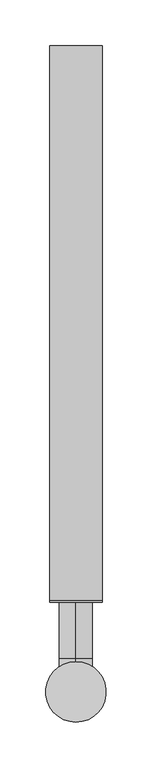
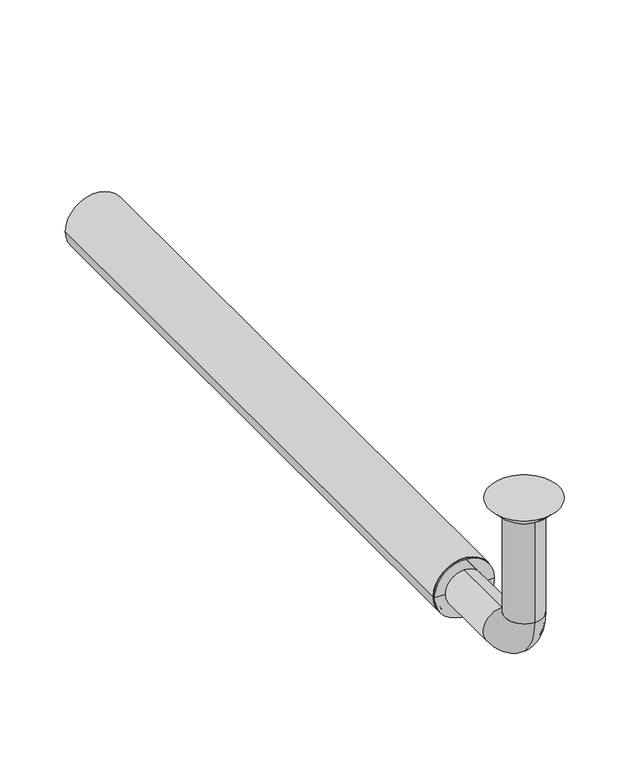
"""IFC4 building model written with IfcOpenShell, lengths in millimetres: beam geometry."""

from ifc_helpers import new_model, si_unit, point, frame, frame_2d, origin, place, context, project, spatial, polyline, circle_curve, ellipse_curve, trimmed, segment, composite_curve, outline, extrude, source, transform, mapped, element, save
from ifc_brep_helpers import plane_surface, cylinder_surface, revolved_surface, advanced_brep


def beam_5fd2c9e7(model_context):
    return source(origin(), model_context, "Body", "SolidModel", [
        extrude(outline(composite_curve([segment(trimmed(circle_curve(frame_2d((-150.0, 0.0)), 28.5), [point((-150.0, 28.5))], [point((-150.0, -28.5))], False, "CARTESIAN"), True, "CONTINUOUS"), segment(trimmed(circle_curve(frame_2d((-150.0, 0.0)), 28.5), [point((-150.0, -28.5))], [point((-150.0, 28.5))], False, "CARTESIAN"), True, "CONTINUOUS")], self_intersect=False), holes=[composite_curve([segment(trimmed(circle_curve(frame_2d((-150.0, 0.0)), 25.5), [point((-150.0, 25.5))], [point((-150.0, -25.5))], True, "CARTESIAN"), True, "CONTINUOUS"), segment(trimmed(circle_curve(frame_2d((-150.0, 0.0)), 25.5), [point((-150.0, -25.5))], [point((-150.0, 25.5))], True, "CARTESIAN"), True, "CONTINUOUS")], self_intersect=False)]), frame((0.0, 100.0, 0.0), z_axis=(0.0, 1.0, 0.0), x_axis=(0.0, 0.0, 1.0)), (0.0, 0.0, 1.0), 605.0),
        advanced_brep(
        [(0.0, -18.0, -10.0), (0.0, 18.0, -10.0), (0.0, -17.0, -10.0), (0.0, 17.0, -10.0), (0.0, -18.0, -114.0), (0.0, 18.0, -114.0), (0.0, -17.0, -114.0), (0.0, 17.0, -114.0), (0.0, 36.0, -132.0), (0.0, 36.0, -168.0), (0.0, 36.0, -133.0), (0.0, 36.0, -167.0), (0.0, 123.0, -168.0), (0.0, 123.0, -132.0), (0.0, 123.0, -167.0), (0.0, 123.0, -133.0)],
        [
            (0, 1, circle_curve(frame((0.0, 0.0, -10.0), z_axis=(0.0, 0.0, 1.0), x_axis=(0.0, 1.0, 0.0)), 18.0)),
            (1, 0, circle_curve(frame((0.0, 0.0, -10.0), z_axis=(0.0, 0.0, 1.0), x_axis=(0.0, 1.0, 0.0)), 18.0)),
            (2, 3, circle_curve(frame((0.0, 0.0, -10.0), z_axis=(0.0, 0.0, -1.0), x_axis=(0.0, 1.0, 0.0)), 17.0)),
            (3, 2, circle_curve(frame((0.0, 0.0, -10.0), z_axis=(0.0, 0.0, -1.0), x_axis=(0.0, 1.0, 0.0)), 17.0)),
            (0, 4),
            (4, 5, circle_curve(frame((0.0, 0.0, -114.0), z_axis=(0.0, 0.0, 1.0), x_axis=(0.0, 1.0, 0.0)), 18.0)),
            (5, 1),
            (5, 4, circle_curve(frame((0.0, 0.0, -114.0), z_axis=(0.0, 0.0, 1.0), x_axis=(0.0, 1.0, 0.0)), 18.0)),
            (2, 6),
            (6, 7, circle_curve(frame((0.0, 0.0, -114.0), z_axis=(0.0, 0.0, -1.0), x_axis=(0.0, 1.0, 0.0)), 17.0)),
            (7, 3),
            (7, 6, circle_curve(frame((0.0, 0.0, -114.0), z_axis=(0.0, 0.0, -1.0), x_axis=(0.0, 1.0, 0.0)), 17.0)),
            (8, 5, circle_curve(frame((0.0, 36.0, -114.0), z_axis=(-1.0, 0.0, 0.0), x_axis=(0.0, -1.0, 0.0)), 18.0)),
            (4, 9, circle_curve(frame((0.0, 36.0, -114.0), z_axis=(1.0, 0.0, 0.0), x_axis=(0.0, -1.0, 0.0)), 54.0)),
            (9, 8, circle_curve(frame((0.0, 36.0, -150.0), z_axis=(0.0, -1.0, 0.0), x_axis=(0.0, 0.0, 1.0)), 18.0)),
            (8, 9, circle_curve(frame((0.0, 36.0, -150.0), z_axis=(0.0, -1.0, 0.0), x_axis=(0.0, 0.0, 1.0)), 18.0)),
            (10, 7, circle_curve(frame((0.0, 36.0, -114.0), z_axis=(-1.0, 0.0, 0.0), x_axis=(0.0, -1.0, 0.0)), 19.0)),
            (6, 11, circle_curve(frame((0.0, 36.0, -114.0), z_axis=(1.0, 0.0, 0.0), x_axis=(0.0, -1.0, 0.0)), 53.0)),
            (11, 10, circle_curve(frame((0.0, 36.0, -150.0), z_axis=(0.0, 1.0, 0.0), x_axis=(0.0, 0.0, 1.0)), 17.0)),
            (10, 11, circle_curve(frame((0.0, 36.0, -150.0), z_axis=(0.0, 1.0, 0.0), x_axis=(0.0, 0.0, 1.0)), 17.0)),
            (12, 13, circle_curve(frame((0.0, 123.0, -150.0), z_axis=(0.0, 1.0, 0.0), x_axis=(0.0, 0.0, 1.0)), 18.0)),
            (13, 12, circle_curve(frame((0.0, 123.0, -150.0), z_axis=(0.0, 1.0, 0.0), x_axis=(0.0, 0.0, 1.0)), 18.0)),
            (14, 15, circle_curve(frame((0.0, 123.0, -150.0), z_axis=(0.0, -1.0, 0.0), x_axis=(0.0, 0.0, 1.0)), 17.0)),
            (15, 14, circle_curve(frame((0.0, 123.0, -150.0), z_axis=(0.0, -1.0, 0.0), x_axis=(0.0, 0.0, 1.0)), 17.0)),
            (9, 12),
            (13, 8),
            (11, 14),
            (15, 10),
        ],
        [
            plane_surface(frame((0.0, 0.0, -10.0), z_axis=(0.0, 0.0, 1.0), x_axis=(1.0, 0.0, 0.0))),
            cylinder_surface(frame((0.0, 0.0, -10.0), z_axis=(0.0, 0.0, 1.0), x_axis=(0.0, 1.0, 0.0)), 18.0),
            revolved_surface(polyline([(0.0, 17.0, -114.0), (0.0, 17.0, -10.0)]), (0.0, 0.0, -10.0), (0.0, 0.0, -1.0)),
            revolved_surface(trimmed(ellipse_curve(frame((0.0, 0.0, -114.0), z_axis=(0.0, 0.0, 1.0), x_axis=(0.0, 1.0, 0.0)), 18.0, 18.0), [point((0.0, -18.0, -114.0))], [point((0.0, 18.0, -114.0))], True, "CARTESIAN"), (0.0, 36.0, -114.0), (1.0, 0.0, 0.0)),
            revolved_surface(trimmed(ellipse_curve(frame((0.0, 0.0, -114.0), z_axis=(0.0, 0.0, 1.0), x_axis=(0.0, 1.0, 0.0)), 18.0, 18.0), [point((0.0, 18.0, -114.0))], [point((0.0, -18.0, -114.0))], True, "CARTESIAN"), (0.0, 36.0, -114.0), (1.0, 0.0, 0.0)),
            revolved_surface(trimmed(ellipse_curve(frame((0.0, 0.0, -114.0), z_axis=(0.0, 0.0, -1.0), x_axis=(0.0, 1.0, 0.0)), 17.0, 17.0), [point((0.0, -17.0, -114.0))], [point((0.0, 17.0, -114.0))], True, "CARTESIAN"), (0.0, 36.0, -114.0), (1.0, 0.0, 0.0)),
            revolved_surface(trimmed(ellipse_curve(frame((0.0, 0.0, -114.0), z_axis=(0.0, 0.0, -1.0), x_axis=(0.0, 1.0, 0.0)), 17.0, 17.0), [point((0.0, 17.0, -114.0))], [point((0.0, -17.0, -114.0))], True, "CARTESIAN"), (0.0, 36.0, -114.0), (1.0, 0.0, 0.0)),
            plane_surface(frame((0.0, 123.0, -150.0), z_axis=(0.0, 1.0, 0.0), x_axis=(1.0, 0.0, 0.0))),
            cylinder_surface(frame((0.0, 36.0, -150.0), z_axis=(0.0, -1.0, 0.0), x_axis=(0.0, 0.0, 1.0)), 18.0),
            revolved_surface(polyline([(0.0, 123.0, -133.0), (0.0, 36.0, -133.0)]), (0.0, 36.0, -150.0), (0.0, 1.0, 0.0)),
        ],
        [
            (0, [[1, 2], [3, 4]]),
            (1, [[-1, 5, 6, 7]]),
            (1, [[-2, -7, 8, -5]]),
            (2, [[-3, 9, 10, 11]]),
            (2, [[-4, -11, 12, -9]]),
            (3, [[13, -6, 14, 15]]),
            (4, [[-14, -8, -13, 16]]),
            (5, [[17, -10, 18, 19]]),
            (6, [[-18, -12, -17, 20]]),
            (7, [[21, 22], [23, 24]]),
            (8, [[-15, 25, -22, 26]]),
            (8, [[-16, -26, -21, -25]]),
            (9, [[-19, 27, -24, 28]]),
            (9, [[-20, -28, -23, -27]]),
        ],
    ),
        advanced_brep(
        [(0.0, 23.0, -10.0), (0.0, -23.0, -10.0), (0.0, 33.0, 0.0), (0.0, -33.0, 0.0)],
        [
            (0, 1, circle_curve(frame((0.0, 0.0, -10.0), z_axis=(0.0, 0.0, -1.0), x_axis=(0.0, 1.0, 0.0)), 23.0)),
            (1, 0, circle_curve(frame((0.0, 0.0, -10.0), z_axis=(0.0, 0.0, -1.0), x_axis=(0.0, -1.0, 0.0)), 23.0)),
            (2, 3, circle_curve(frame((0.0, 0.0, 0.0), z_axis=(0.0, 0.0, 1.0), x_axis=(0.0, -1.0, 0.0)), 33.0)),
            (3, 2, circle_curve(frame((0.0, 0.0, 0.0), z_axis=(0.0, 0.0, 1.0), x_axis=(0.0, 1.0, 0.0)), 33.0)),
            (3, 1),
            (0, 2),
        ],
        [
            plane_surface(frame((0.0, 0.0, -10.0), z_axis=(0.0, 0.0, -1.0), x_axis=(-1.0, 0.0, 0.0))),
            plane_surface(frame((0.0, 0.0, 0.0), z_axis=(0.0, 0.0, 1.0), x_axis=(-1.0, 0.0, 0.0))),
            revolved_surface(polyline([(0.0, 23.0, -10.0), (0.0, 33.0, 0.0)]), (0.0, 0.0, -33.0), (0.0, 0.0, 1.0)),
            revolved_surface(polyline([(0.0, -23.0, -10.0), (0.0, -33.0, 0.0)]), (0.0, 0.0, -33.0), (0.0, 0.0, 1.0)),
        ],
        [
            (0, [[1, 2]]),
            (1, [[3, 4]]),
            (2, [[-4, 5, -1, 6]]),
            (3, [[-3, -6, -2, -5]]),
        ],
    ),
        advanced_brep(
        [(25.5, 100.0, -150.0), (-25.5, 100.0, -150.0), (-25.5, 123.0, -150.0), (25.5, 123.0, -150.0), (-18.0, 123.0, -150.0), (18.0, 123.0, -150.0), (-18.0, 98.0, -150.0), (18.0, 98.0, -150.0), (-28.5, 98.0, -150.0), (28.5, 98.0, -150.0), (-28.5, 100.0, -150.0), (28.5, 100.0, -150.0)],
        [
            (0, 1, circle_curve(frame((0.0, 100.0, -150.0), z_axis=(0.0, 1.0, 0.0), x_axis=(-1.0, 0.0, 0.0)), 25.5)),
            (1, 2),
            (2, 3, circle_curve(frame((0.0, 123.0, -150.0), z_axis=(0.0, -1.0, 0.0), x_axis=(-1.0, 0.0, 0.0)), 25.5)),
            (3, 0),
            (1, 0, circle_curve(frame((0.0, 100.0, -150.0), z_axis=(0.0, 1.0, 0.0), x_axis=(-1.0, 0.0, 0.0)), 25.5)),
            (3, 2, circle_curve(frame((0.0, 123.0, -150.0), z_axis=(0.0, -1.0, 0.0), x_axis=(-1.0, 0.0, 0.0)), 25.5)),
            (2, 4),
            (4, 5, circle_curve(frame((0.0, 123.0, -150.0), z_axis=(0.0, -1.0, 0.0), x_axis=(-1.0, 0.0, 0.0)), 18.0)),
            (5, 3),
            (5, 4, circle_curve(frame((0.0, 123.0, -150.0), z_axis=(0.0, -1.0, 0.0), x_axis=(-1.0, 0.0, 0.0)), 18.0)),
            (4, 6),
            (6, 7, circle_curve(frame((0.0, 98.0, -150.0), z_axis=(0.0, -1.0, 0.0), x_axis=(-1.0, 0.0, 0.0)), 18.0)),
            (7, 5),
            (7, 6, circle_curve(frame((0.0, 98.0, -150.0), z_axis=(0.0, -1.0, 0.0), x_axis=(-1.0, 0.0, 0.0)), 18.0)),
            (6, 8),
            (8, 9, circle_curve(frame((0.0, 98.0, -150.0), z_axis=(0.0, -1.0, 0.0), x_axis=(-1.0, 0.0, 0.0)), 28.5)),
            (9, 7),
            (9, 8, circle_curve(frame((0.0, 98.0, -150.0), z_axis=(0.0, -1.0, 0.0), x_axis=(-1.0, 0.0, 0.0)), 28.5)),
            (8, 10),
            (10, 11, circle_curve(frame((0.0, 100.0, -150.0), z_axis=(0.0, -1.0, 0.0), x_axis=(-1.0, 0.0, 0.0)), 28.5)),
            (11, 9),
            (11, 10, circle_curve(frame((0.0, 100.0, -150.0), z_axis=(0.0, -1.0, 0.0), x_axis=(-1.0, 0.0, 0.0)), 28.5)),
            (10, 1),
            (0, 11),
        ],
        [
            cylinder_surface(frame((0.0, 98.0, -150.0), z_axis=(0.0, -1.0, 0.0), x_axis=(-1.0, 0.0, 0.0)), 25.5),
            plane_surface(frame((0.0, 123.0, -150.0), z_axis=(0.0, 1.0, 0.0), x_axis=(-1.0, 0.0, 0.0))),
            revolved_surface(polyline([(-18.0, 98.0, -150.0), (-18.0, 123.0, -150.0)]), (0.0, 98.0, -150.0), (0.0, -1.0, 0.0)),
            plane_surface(frame((0.0, 98.0, -150.0), z_axis=(0.0, -1.0, 0.0), x_axis=(-1.0, 0.0, 0.0))),
            cylinder_surface(frame((0.0, 98.0, -150.0), z_axis=(0.0, -1.0, 0.0), x_axis=(-1.0, 0.0, 0.0)), 28.5),
            plane_surface(frame((0.0, 100.0, -150.0), z_axis=(0.0, 1.0, 0.0), x_axis=(-1.0, 0.0, 0.0))),
        ],
        [
            (0, [[1, 2, 3, 4]]),
            (0, [[5, -4, 6, -2]]),
            (1, [[-3, 7, 8, 9]]),
            (1, [[-6, -9, 10, -7]]),
            (2, [[-8, 11, 12, 13]]),
            (2, [[-10, -13, 14, -11]]),
            (3, [[-12, 15, 16, 17]]),
            (3, [[-14, -17, 18, -15]]),
            (4, [[-16, 19, 20, 21]]),
            (4, [[-18, -21, 22, -19]]),
            (5, [[-20, 23, -1, 24]]),
            (5, [[-22, -24, -5, -23]]),
        ],
    ),
    ])


if __name__ == "__main__":
    model = new_model("IFC4")
    model_context = context("Model", 3, world=origin())
    ifc_project = project(units=[si_unit("LENGTHUNIT", "METRE", prefix="MILLI")], contexts=[model_context])
    site = spatial("IfcSite", under=ifc_project)
    building = spatial("IfcBuilding", under=site)
    placement = place(None, origin())
    beam_shape = beam_5fd2c9e7(model_context)
    element("IfcBeam", 1, at=placement, inside=building, context=model_context, shape_type="MappedRepresentation", body=[
        mapped(beam_shape, transform((0.0, 0.0, 0.0), x_axis=(1.0, 0.0, 0.0), y_axis=(0.0, 1.0, 0.0), z_axis=(0.0, 0.0, 1.0))),
    ])
    save(model, "model.ifc")
